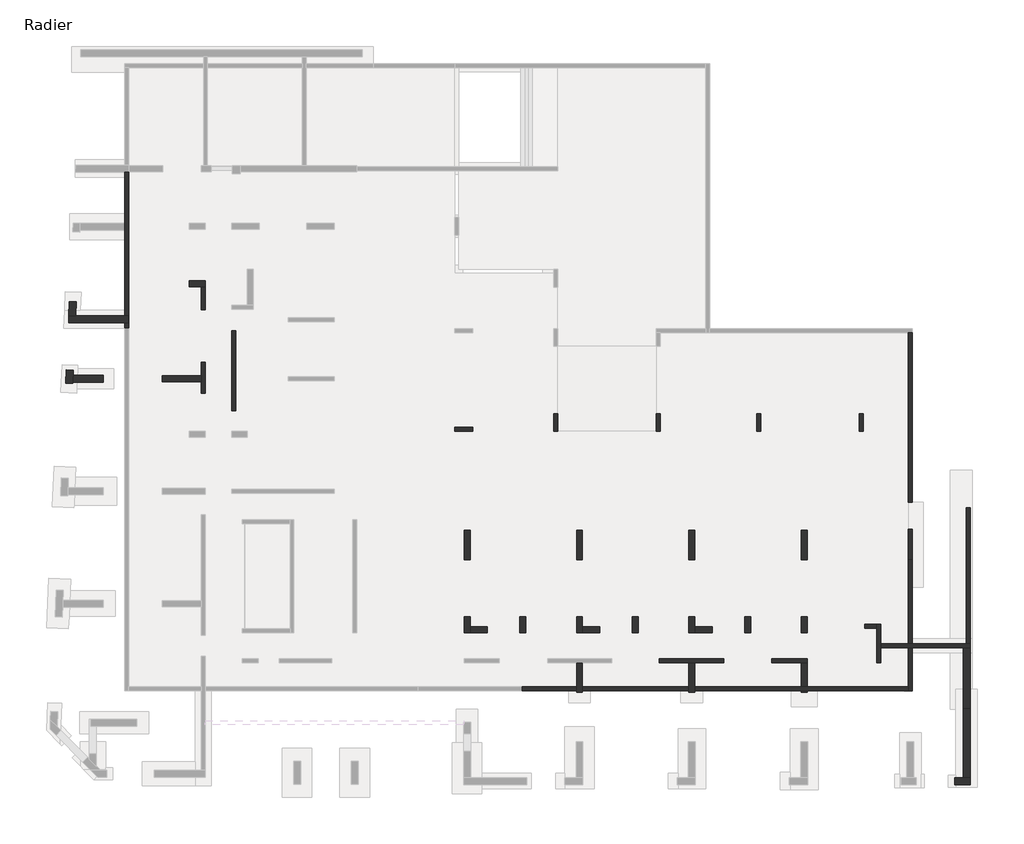
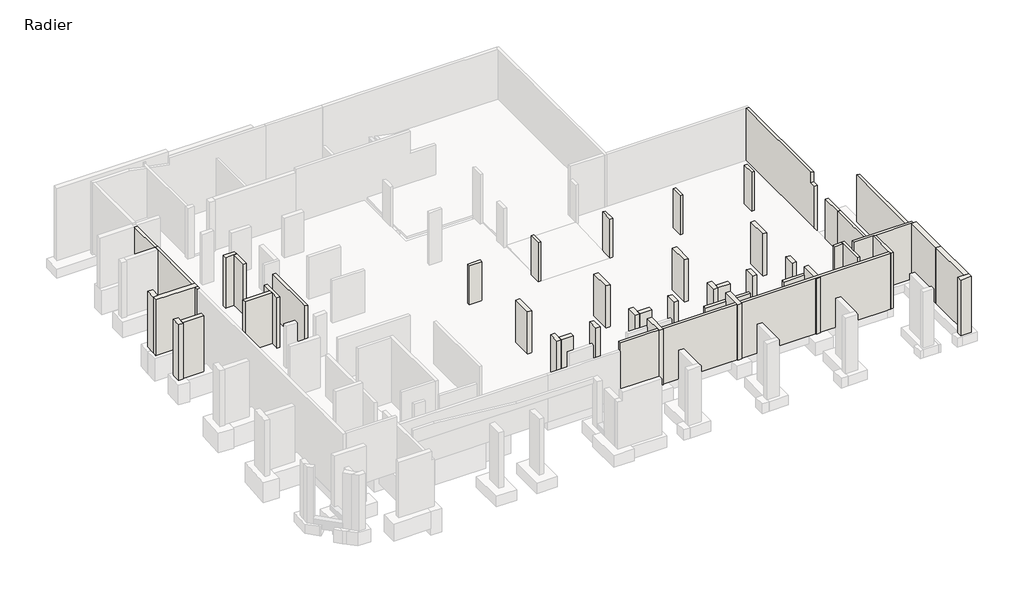
# One storey, part 2 of 5: 45 walls.
"""IFC4 building model written with IfcOpenShell, lengths in millimetres."""

from ifc_helpers import new_model, si_unit, frame, origin, place, context, project, spatial, polyline, outline, extrude, faceted_brep, element, save

model = new_model("IFC4")

# Units and contexts
model_context = context("Model", 3, world=origin())
ifc_project = project(units=[si_unit("LENGTHUNIT", "METRE", prefix="MILLI")], contexts=[model_context])

# Site, building, storey
site = spatial("IfcSite", under=ifc_project)
building = spatial("IfcBuilding", under=site)
storey = spatial("IfcBuildingStorey", under=building, Name="Radier", Elevation=-3900.0)

# Walls
placement = place(None, origin())
element("IfcWall", 1, ObjectType="MHA20", at=placement, inside=storey, context=model_context, shape_type="Brep", body=[
    faceted_brep([(-2535.6912908, -13279.0672499, -4300.0), (-2535.6912908, -12519.0672499, -4300.0), (-2535.6912908, -12319.0672499, -4300.0), (-2535.6912908, -11329.0672499, -4300.0), (-2535.6912908, -11329.0672499, -670.0), (-2535.6912908, -13279.0672499, -670.0), (-2735.6912908, -13279.0672499, -4300.0), (-2735.6912908, -13279.0672499, -670.0), (-2735.6912908, -11529.0672499, -670.0), (-2735.6912908, -11329.0672499, -670.0), (-2735.6912908, -11329.0672499, -4300.0), (-2735.6912908, -11529.0672499, -4300.0)], [[[0, 1, 2, 3, 4, 5]], [[6, 7, 8, 9, 10, 11]], [[3, 2, 1, 0, 6, 11, 10]], [[5, 4, 9, 8, 7]], [[0, 5, 7, 6]], [[4, 3, 10, 9]]]),
])
element("IfcWall", 2, ObjectType="MHA20", at=placement, inside=storey, context=model_context, shape_type="Brep", body=[
    faceted_brep([(-2535.6912908, -12519.0672499, -20.0), (-2535.6912908, -12519.0672499, -4300.0), (-1125.6912908, -12519.0672499, -4300.0), (-925.6912908, -12519.0672499, -4300.0), (1644.3087092, -12519.0672499, -4300.0), (1994.3087092, -12519.0672499, -4300.0), (1994.3087092, -12519.0672499, -670.0), (1794.3087092, -12519.0672499, -670.0), (1794.3087092, -12519.0672499, -20.0), (1644.3087092, -12519.0672499, -20.0), (-925.6912908, -12519.0672499, -20.0), (-1125.6912908, -12519.0672499, -20.0), (-2535.6912908, -12319.0672499, -4300.0), (-2535.6912908, -12319.0672499, -20.0), (1794.3087092, -12319.0672499, -20.0), (1794.3087092, -12319.0672499, -670.0), (1994.3087092, -12319.0672499, -670.0), (1994.3087092, -12319.0672499, -4300.0), (-925.6912908, -12319.0672499, -4300.0), (-1125.6912908, -12319.0672499, -4300.0)], [[[0, 1, 2, 3, 4, 5, 6, 7, 8, 9, 10, 11]], [[12, 13, 14, 15, 16, 17, 18, 19]], [[5, 4, 3, 2, 1, 12, 19, 18, 17]], [[0, 11, 10, 9, 8, 14, 13]], [[0, 13, 12, 1]], [[15, 7, 6, 16]], [[6, 5, 17, 16]], [[8, 7, 15, 14]]]),
])
element("IfcWall", 3, ObjectType="MHA20", at=placement, inside=storey, context=model_context, shape_type="Brep", body=[
    faceted_brep([(-6255.6912908, -13079.0672499, -4300.0), (-8050.6912908, -13079.0672499, -4300.0), (-8050.6912908, -13079.0672499, -670.0), (-6255.6912908, -13079.0672499, -670.0), (-6255.6912908, -13079.0672499, -820.0), (-6255.6912908, -13279.0672499, -4300.0), (-6255.6912908, -13279.0672499, -670.0), (-8050.6912908, -13279.0672499, -670.0), (-8050.6912908, -13279.0672499, -4300.0), (-6555.6912908, -13279.0672499, -4300.0)], [[[0, 1, 2, 3, 4]], [[5, 6, 7, 8, 9]], [[1, 0, 5, 9, 8]], [[2, 1, 8, 7]], [[3, 2, 7, 6]], [[0, 4, 3, 6, 5]]]),
])
element("IfcWall", 4, ObjectType="MHA20", at=placement, inside=storey, context=model_context, shape_type="SweptSolid", body=[
    extrude(outline(polyline([(3440.9327501, -4300.0), (-5144.0672499, -4300.0), (-5144.0672499, -673.85), (-4689.0672499, -680.22), (-4689.0672499, 100.0), (3440.9327501, 100.0), (3440.9327501, -4300.0)])), frame((-1125.6912908, 0.0, 0.0), z_axis=(1.0, 0.0, 0.0), x_axis=(0.0, 1.0, 0.0)), (0.0, 0.0, 1.0), 200.0),
])
element("IfcWall", 5, ObjectType="MHA20", at=placement, inside=storey, context=model_context, shape_type="Brep", body=[
    faceted_brep([(-10470.6912908, -13079.0672499, -4300.0), (-13740.6912908, -13079.0672499, -4300.0), (-13740.6912908, -13079.0672499, -670.0), (-10470.6912908, -13079.0672499, -670.0), (-10470.6912908, -13279.0672499, -4300.0), (-10470.6912908, -13279.0672499, -670.0), (-13740.6912908, -13279.0672499, -670.0), (-13740.6912908, -13279.0672499, -4300.0), (-12245.6912908, -13279.0672499, -4300.0), (-11945.6912908, -13279.0672499, -4300.0)], [[[0, 1, 2, 3]], [[4, 5, 6, 7, 8, 9]], [[1, 0, 4, 9, 8, 7]], [[2, 1, 7, 6]], [[3, 2, 6, 5]], [[0, 3, 5, 4]]]),
])
element("IfcWall", 6, ObjectType="MHA20", at=placement, inside=storey, context=model_context, shape_type="SweptSolid", body=[
    extrude(outline(polyline([(-35205.6912908, 3530.9327501), (-35205.6912908, -509.0672499), (-35405.6912908, -509.0672499), (-35405.6912908, 3530.9327501), (-35205.6912908, 3530.9327501)])), frame((0.0, 0.0, -4300.0), z_axis=(0.0, 0.0, 1.0), x_axis=(1.0, 0.0, 0.0)), (0.0, 0.0, 1.0), 3630.0),
])
element("IfcWall", 7, ObjectType="MHA20", at=placement, inside=storey, context=model_context, shape_type="Brep", body=[
    faceted_brep([(-36735.6912908, 360.9327501, -4300.0), (-36735.6912908, 1930.9327501, -4300.0), (-36735.6912908, 1930.9327501, -820.0), (-36735.6912908, 1930.9327501, -180.0), (-36735.6912908, 1930.9327501, -20.0), (-36735.6912908, 360.9327501, -20.0), (-36735.6912908, 360.9327501, -180.0), (-36735.6912908, 360.9327501, -820.0), (-36935.6912908, 360.9327501, -4300.0), (-36935.6912908, 360.9327501, -820.0), (-36935.6912908, 360.9327501, -180.0), (-36935.6912908, 360.9327501, -20.0), (-36935.6912908, 950.9327501, -20.0), (-36935.6912908, 1250.9327501, -20.0), (-36935.6912908, 1930.9327501, -20.0), (-36935.6912908, 1930.9327501, -180.0), (-36935.6912908, 1930.9327501, -820.0), (-36935.6912908, 1930.9327501, -4300.0), (-36935.6912908, 1250.9327501, -4300.0), (-36935.6912908, 950.9327501, -4300.0)], [[[0, 1, 2, 3, 4, 5, 6, 7]], [[8, 9, 10, 11, 12, 13, 14, 15, 16, 17, 18, 19]], [[1, 0, 8, 19, 18, 17]], [[4, 3, 2, 1, 17, 16, 15, 14]], [[5, 4, 14, 13, 12, 11]], [[0, 7, 6, 5, 11, 10, 9, 8]]]),
])
element("IfcWall", 8, ObjectType="MHA20", at=placement, inside=storey, context=model_context, shape_type="Brep", body=[
    faceted_brep([(-36935.6912908, 5760.9327501, -4300.0), (-36935.6912908, 4590.9327501, -4300.0), (-36935.6912908, 4590.9327501, -820.0), (-36935.6912908, 4590.9327501, -180.0), (-36935.6912908, 4590.9327501, -20.0), (-36935.6912908, 5760.9327501, -20.0), (-36735.6912908, 5760.9327501, -4300.0), (-36735.6912908, 5760.9327501, -20.0), (-36735.6912908, 4590.9327501, -20.0), (-36735.6912908, 4590.9327501, -180.0), (-36735.6912908, 4590.9327501, -820.0), (-36735.6912908, 4590.9327501, -4300.0)], [[[0, 1, 2, 3, 4, 5]], [[6, 7, 8, 9, 10, 11]], [[1, 0, 6, 11]], [[4, 3, 2, 1, 11, 10, 9, 8]], [[5, 4, 8, 7]], [[0, 5, 7, 6]]]),
])
element("IfcWall", 9, ObjectType="MHA20", at=placement, inside=storey, context=model_context, shape_type="Brep", body=[
    faceted_brep([(1994.3087092, -12319.0672499, -4300.0), (1994.3087092, -5419.0672499, -4300.0), (1994.3087092, -5419.0672499, -1250.0), (1994.3087092, -5419.0672499, -670.0), (1994.3087092, -12319.0672499, -670.0), (1794.3087092, -12319.0672499, -4300.0), (1794.3087092, -12319.0672499, -670.0), (1794.3087092, -5419.0672499, -670.0), (1794.3087092, -5419.0672499, -1250.0), (1794.3087092, -5419.0672499, -4300.0)], [[[0, 1, 2, 3, 4]], [[5, 6, 7, 8, 9]], [[1, 0, 5, 9]], [[4, 3, 7, 6]], [[0, 4, 6, 5]], [[3, 2, 1, 9, 8, 7]]]),
])
element("IfcWall", 10, ObjectType="MHA20", at=placement, inside=storey, context=model_context, shape_type="SweptSolid", body=[
    extrude(outline(polyline([(-2735.6912908, -11529.0672499), (-3335.6912908, -11529.0672499), (-3335.6912908, -11329.0672499), (-2735.6912908, -11329.0672499), (-2735.6912908, -11529.0672499)])), frame((0.0, 0.0, -4300.0), z_axis=(0.0, 0.0, 1.0), x_axis=(1.0, 0.0, 0.0)), (0.0, 0.0, 1.0), 3630.0),
])
element("IfcWall", 11, ObjectType="MHA20", at=placement, inside=storey, context=model_context, shape_type="SweptSolid", body=[
    extrude(outline(polyline([(-1125.6912908, -8069.0672499), (-1125.6912908, -6519.0672499), (-925.6912908, -6519.0672499), (-925.6912908, -8069.0672499), (-1125.6912908, -8069.0672499)])), frame((0.0, 0.0, -4300.0), z_axis=(0.0, 0.0, 1.0), x_axis=(1.0, 0.0, 0.0)), (0.0, 0.0, 1.0), 3470.0),
])
element("IfcWall", 12, ObjectType="MHA20", at=placement, inside=storey, context=model_context, shape_type="Brep", body=[
    faceted_brep([(-1125.6912908, -8069.0672499, -830.0), (-1125.6912908, -8069.0672499, -4300.0), (-1125.6912908, -12319.0672499, -4300.0), (-1125.6912908, -12319.0672499, -830.0), (-925.6912908, -8069.0672499, -4300.0), (-925.6912908, -8069.0672499, -830.0), (-925.6912908, -12319.0672499, -830.0), (-925.6912908, -12319.0672499, -4300.0)], [[[0, 1, 2, 3]], [[4, 5, 6, 7]], [[3, 2, 7, 6]], [[1, 4, 7, 2]], [[5, 0, 3, 6]], [[1, 0, 5, 4]]]),
    faceted_brep([(-1125.6912908, -14699.0672499, -4300.0), (-1125.6912908, -14699.0672499, -20.0), (-1125.6912908, -14499.0672499, -20.0), (-1125.6912908, -12519.0672499, -20.0), (-1125.6912908, -12519.0672499, -4300.0), (-1125.6912908, -14499.0672499, -4300.0), (-925.6912908, -14699.0672499, -20.0), (-925.6912908, -14699.0672499, -140.0), (-925.6912908, -14699.0672499, -820.0), (-925.6912908, -14699.0672499, -4300.0), (-925.6912908, -12519.0672499, -4300.0), (-925.6912908, -12519.0672499, -20.0)], [[[0, 1, 2, 3, 4, 5]], [[6, 7, 8, 9, 10, 11]], [[9, 0, 5, 4, 10]], [[1, 0, 9, 8, 7, 6]], [[3, 2, 1, 6, 11]], [[3, 11, 10, 4]]]),
])
element("IfcWall", 13, ObjectType="MHA20", at=placement, inside=storey, context=model_context, shape_type="Brep", body=[
    faceted_brep([(-40605.6912908, 3675.9327501, -4900.0), (-40605.6912908, 11750.9327501, -4900.0), (-40605.6912908, 11750.9327501, -3900.0), (-40605.6912908, 11575.9327501, -3900.0), (-40605.6912908, 11575.9327501, -67.8), (-40605.6912908, 8980.9327501, -67.8), (-40605.6912908, 8980.9327501, -20.0), (-40605.6912908, 8680.9327501, -20.0), (-40605.6912908, 3675.9327501, -20.0), (-40805.6912908, 11750.9327501, -4900.0), (-40805.6912908, 3675.9327501, -4900.0), (-40805.6912908, 3675.9327501, -20.0), (-40805.6912908, 8630.9327501, -20.0), (-40805.6912908, 8680.9327501, -20.0), (-40805.6912908, 8980.9327501, -20.0), (-40805.6912908, 8980.9327501, -55.8), (-40805.6912908, 11575.9327501, -55.8), (-40805.6912908, 11575.9327501, -3900.0), (-40805.6912908, 11750.9327501, -3900.0)], [[[0, 1, 2, 3, 4, 5, 6, 7, 8]], [[9, 10, 11, 12, 13, 14, 15, 16, 17, 18]], [[1, 0, 10, 9]], [[11, 8, 7, 6, 14, 13, 12]], [[0, 8, 11, 10]], [[1, 9, 18, 2]], [[3, 2, 18, 17]], [[3, 17, 16, 4]], [[5, 15, 14, 6]], [[15, 5, 4, 16]]]),
])
element("IfcWall", 14, ObjectType="MHA20", at=placement, inside=storey, context=model_context, shape_type="Brep", body=[
    faceted_brep([(-20715.6912908, -14699.0672499, -4300.0), (-1125.6912908, -14699.0672499, -4300.0), (-1125.6912908, -14699.0672499, -20.0), (-20715.6912908, -14699.0672499, -20.0), (-20715.6912908, -14499.0672499, -4300.0), (-20715.6912908, -14499.0672499, -20.0), (-1125.6912908, -14499.0672499, -20.0), (-1125.6912908, -14499.0672499, -180.0), (-1125.6912908, -14499.0672499, -820.0), (-1125.6912908, -14499.0672499, -4300.0)], [[[0, 1, 2, 3]], [[4, 5, 6, 7, 8, 9]], [[1, 0, 4, 9]], [[3, 2, 6, 5]], [[0, 3, 5, 4]], [[2, 1, 9, 8, 7, 6]]]),
])
element("IfcWall", 15, ObjectType="MHA20", at=placement, inside=storey, context=model_context, shape_type="Brep", body=[
    faceted_brep([(-3415.6912908, -1559.1017012, -4300.0), (-3415.6912908, -659.1017012, -4300.0), (-3415.6912908, -659.1017012, -1450.0), (-3415.6912908, -659.1017012, -1409.1086553), (-3415.6912908, -659.1017012, -1229.0996555), (-3415.6912908, -659.1017012, -900.0), (-3415.6912908, -1559.1017012, -900.0), (-3415.6912908, -1559.1017012, -1220.0996555), (-3415.6912908, -1559.1017012, -1400.1086553), (-3415.6912908, -1559.1017012, -1450.0), (-3615.6912908, -1559.1017012, -4300.0), (-3615.6912908, -1559.1017012, -1450.0), (-3615.6912908, -1559.1017012, -1400.1086553), (-3615.6912908, -1559.1017012, -1220.0996555), (-3615.6912908, -1559.1017012, -900.0), (-3615.6912908, -659.1017012, -900.0), (-3615.6912908, -659.1017012, -1229.0996555), (-3615.6912908, -659.1017012, -1409.1086553), (-3615.6912908, -659.1017012, -1450.0), (-3615.6912908, -659.1017012, -4300.0)], [[[0, 1, 2, 3, 4, 5, 6, 7, 8, 9]], [[10, 11, 12, 13, 14, 15, 16, 17, 18, 19]], [[1, 0, 10, 19]], [[5, 4, 3, 2, 1, 19, 18, 17, 16, 15]], [[6, 5, 15, 14]], [[0, 9, 8, 7, 6, 14, 13, 12, 11, 10]]]),
])
element("IfcWall", 16, ObjectType="MHA20", at=placement, inside=storey, context=model_context, shape_type="Brep", body=[
    faceted_brep([(-8595.6912908, -1559.1017012, -4300.0), (-8595.6912908, -659.1017012, -4300.0), (-8595.6912908, -659.1017012, -900.0), (-8595.6912908, -1559.1017012, -900.0), (-8595.6912908, -1559.1017012, -1220.0996555), (-8595.6912908, -1559.1017012, -1400.1086553), (-8595.6912908, -1559.1017012, -1450.0), (-8795.6912908, -1559.1017012, -4300.0), (-8795.6912908, -1559.1017012, -1450.0), (-8795.6912908, -1559.1017012, -1400.1086553), (-8795.6912908, -1559.1017012, -1220.0996555), (-8795.6912908, -1559.1017012, -900.0), (-8795.6912908, -659.1017012, -900.0), (-8795.6912908, -659.1017012, -4300.0)], [[[0, 1, 2, 3, 4, 5, 6]], [[7, 8, 9, 10, 11, 12, 13]], [[1, 0, 7, 13]], [[2, 1, 13, 12]], [[3, 2, 12, 11]], [[0, 6, 5, 4, 3, 11, 10, 9, 8, 7]]]),
])
element("IfcWall", 17, ObjectType="MHA20", at=placement, inside=storey, context=model_context, shape_type="Brep", body=[
    faceted_brep([(-13695.6912908, -1559.1017012, -4300.0), (-13695.6912908, -659.1017012, -4300.0), (-13695.6912908, -659.1017012, -1450.0), (-13695.6912908, -659.1017012, -1409.1086553), (-13695.6912908, -659.1017012, -1229.0996555), (-13695.6912908, -659.1017012, -900.0), (-13695.6912908, -1559.1017012, -900.0), (-13695.6912908, -1559.1017012, -1220.0996555), (-13695.6912908, -1559.1017012, -1400.1086553), (-13695.6912908, -1559.1017012, -1450.0), (-13895.6912908, -1559.1017012, -4300.0), (-13895.6912908, -1559.1017012, -1450.0), (-13895.6912908, -1559.1017012, -1400.1086553), (-13895.6912908, -1559.1017012, -1220.0996555), (-13895.6912908, -1559.1017012, -900.0), (-13895.6912908, -659.1017012, -900.0), (-13895.6912908, -659.1017012, -1229.0996555), (-13895.6912908, -659.1017012, -1409.1086553), (-13895.6912908, -659.1017012, -1450.0), (-13895.6912908, -659.1017012, -4300.0), (-13895.6912908, -1359.0672499, -4300.0)], [[[0, 1, 2, 3, 4, 5, 6, 7, 8, 9]], [[10, 11, 12, 13, 14, 15, 16, 17, 18, 19, 20]], [[1, 0, 10, 20, 19]], [[5, 4, 3, 2, 1, 19, 18, 17, 16, 15]], [[6, 5, 15, 14]], [[0, 9, 8, 7, 6, 14, 13, 12, 11, 10]]]),
])
element("IfcWall", 18, ObjectType="MHA20", at=placement, inside=storey, context=model_context, shape_type="Brep", body=[
    faceted_brep([(-19095.6912908, -659.1017012, -4300.0), (-19095.6912908, -1559.1017012, -4300.0), (-19095.6912908, -1559.1017012, -1450.0), (-19095.6912908, -1559.1017012, -1400.1086553), (-19095.6912908, -1559.1017012, -1220.0996555), (-19095.6912908, -1559.1017012, -900.0), (-19095.6912908, -659.1017012, -900.0), (-19095.6912908, -659.1017012, -1229.0996555), (-19095.6912908, -659.1017012, -1409.1086553), (-19095.6912908, -659.1017012, -1450.0), (-18895.6912908, -659.1017012, -4300.0), (-18895.6912908, -659.1017012, -1450.0), (-18895.6912908, -659.1017012, -1409.1086553), (-18895.6912908, -659.1017012, -1229.0996555), (-18895.6912908, -659.1017012, -900.0), (-18895.6912908, -1559.1017012, -900.0), (-18895.6912908, -1559.1017012, -1220.0996555), (-18895.6912908, -1559.1017012, -1400.1086553), (-18895.6912908, -1559.1017012, -1450.0), (-18895.6912908, -1559.1017012, -4300.0), (-18895.6912908, -1359.0672499, -4300.0)], [[[0, 1, 2, 3, 4, 5, 6, 7, 8, 9]], [[10, 11, 12, 13, 14, 15, 16, 17, 18, 19, 20]], [[1, 0, 10, 20, 19]], [[5, 4, 3, 2, 1, 19, 18, 17, 16, 15]], [[6, 5, 15, 14]], [[0, 9, 8, 7, 6, 14, 13, 12, 11, 10]]]),
])
element("IfcWall", 19, ObjectType="MHA20", at=placement, inside=storey, context=model_context, shape_type="Brep", body=[
    faceted_brep([(-24095.725742, -1559.1017012, -4300.0), (-23195.725742, -1559.1017012, -4300.0), (-23195.725742, -1559.1017012, -900.0), (-24095.725742, -1559.1017012, -900.0), (-24095.725742, -1559.1017012, -1220.0996555), (-24095.725742, -1559.1017012, -1400.1086553), (-24095.725742, -1559.1017012, -1450.0), (-24095.725742, -1359.1017012, -4300.0), (-24095.725742, -1359.1017012, -1450.0), (-24095.725742, -1359.1017012, -1402.1086553), (-24095.725742, -1359.1017012, -1222.0996555), (-24095.725742, -1359.1017012, -900.0), (-23195.725742, -1359.1017012, -900.0), (-23195.725742, -1359.1017012, -4300.0)], [[[0, 1, 2, 3, 4, 5, 6]], [[7, 8, 9, 10, 11, 12, 13]], [[1, 0, 7, 13]], [[2, 1, 13, 12]], [[3, 2, 12, 11]], [[0, 6, 5, 4, 3, 11, 10, 9, 8, 7]]]),
])
element("IfcWall", 20, ObjectType="MHA30", at=placement, inside=storey, context=model_context, shape_type="Brep", body=[
    faceted_brep([(-6255.6912908, -11759.0672499, -4300.0), (-6255.6912908, -10959.0672499, -4300.0), (-6255.6912908, -10959.0672499, -1650.0), (-6255.6912908, -10959.0672499, -830.0), (-6255.6912908, -10959.0672499, -670.0), (-6255.6912908, -11759.0672499, -670.0), (-6555.6912908, -11759.0672499, -4300.0), (-6555.6912908, -11759.0672499, -670.0), (-6555.6912908, -10959.0672499, -670.0), (-6555.6912908, -10959.0672499, -830.0), (-6555.6912908, -10959.0672499, -1650.0), (-6555.6912908, -10959.0672499, -4300.0)], [[[0, 1, 2, 3, 4, 5]], [[6, 7, 8, 9, 10, 11]], [[1, 0, 6, 11]], [[4, 3, 2, 1, 11, 10, 9, 8]], [[5, 4, 8, 7]], [[0, 5, 7, 6]]]),
])
element("IfcWall", 21, ObjectType="MHA30", at=placement, inside=storey, context=model_context, shape_type="Brep", body=[
    faceted_brep([(-11945.6912908, -11759.0672499, -4300.0), (-11945.6912908, -11459.0672499, -4300.0), (-11945.6912908, -10959.0672499, -4300.0), (-11945.6912908, -10959.0672499, -1650.0), (-11945.6912908, -10959.0672499, -830.0), (-11945.6912908, -10959.0672499, -670.0), (-11945.6912908, -11459.0672499, -670.0), (-11945.6912908, -11759.0672499, -670.0), (-12245.6912908, -11759.0672499, -4300.0), (-12245.6912908, -11759.0672499, -670.0), (-12245.6912908, -10959.0672499, -670.0), (-12245.6912908, -10959.0672499, -830.0), (-12245.6912908, -10959.0672499, -1650.0), (-12245.6912908, -10959.0672499, -4300.0)], [[[0, 1, 2, 3, 4, 5, 6, 7]], [[8, 9, 10, 11, 12, 13]], [[2, 1, 0, 8, 13]], [[5, 4, 3, 2, 13, 12, 11, 10]], [[7, 6, 5, 10, 9]], [[0, 7, 9, 8]]]),
])
element("IfcWall", 22, ObjectType="MHA30", at=placement, inside=storey, context=model_context, shape_type="SweptSolid", body=[
    extrude(outline(polyline([(-11945.6912908, -11459.0672499), (-11070.6912908, -11459.0672499), (-11070.6912908, -11759.0672499), (-11945.6912908, -11759.0672499), (-11945.6912908, -11459.0672499)])), frame((0.0, 0.0, -4300.0), z_axis=(0.0, 0.0, 1.0), x_axis=(1.0, 0.0, 0.0)), (0.0, 0.0, 1.0), 3630.0),
])
element("IfcWall", 23, ObjectType="MHA30", at=placement, inside=storey, context=model_context, shape_type="SweptSolid", body=[
    extrude(outline(polyline([(-9120.6912908, -10959.0672499), (-9120.6912908, -11759.0672499), (-9420.6912908, -11759.0672499), (-9420.6912908, -10959.0672499), (-9120.6912908, -10959.0672499)])), frame((0.0, 0.0, -4300.0), z_axis=(0.0, 0.0, 1.0), x_axis=(1.0, 0.0, 0.0)), (0.0, 0.0, 1.0), 3630.0),
])
element("IfcWall", 24, ObjectType="MHA30", at=placement, inside=storey, context=model_context, shape_type="SweptSolid", body=[
    extrude(outline(polyline([(-14810.6912908, -10959.0672499), (-14810.6912908, -11759.0672499), (-15110.6912908, -11759.0672499), (-15110.6912908, -10959.0672499), (-14810.6912908, -10959.0672499)])), frame((0.0, 0.0, -4300.0), z_axis=(0.0, 0.0, 1.0), x_axis=(1.0, 0.0, 0.0)), (0.0, 0.0, 1.0), 3630.0),
])
element("IfcWall", 25, ObjectType="MHA30", at=placement, inside=storey, context=model_context, shape_type="SweptSolid", body=[
    extrude(outline(polyline([(-20500.6912908, -10959.0672499), (-20500.6912908, -11759.0672499), (-20800.6912908, -11759.0672499), (-20800.6912908, -10959.0672499), (-20500.6912908, -10959.0672499)])), frame((0.0, 0.0, -4300.0), z_axis=(0.0, 0.0, 1.0), x_axis=(1.0, 0.0, 0.0)), (0.0, 0.0, 1.0), 3630.0),
])
element("IfcWall", 26, ObjectType="MHA30", at=placement, inside=storey, context=model_context, shape_type="Brep", body=[
    faceted_brep([(-37535.6912908, 5760.9327501, -4300.0), (-36935.6912908, 5760.9327501, -4300.0), (-36735.6912908, 5760.9327501, -4300.0), (-36735.6912908, 5760.9327501, -20.0), (-36935.6912908, 5760.9327501, -20.0), (-37535.6912908, 5760.9327501, -20.0), (-37535.6912908, 6060.9327501, -4300.0), (-37535.6912908, 6060.9327501, -300.0), (-37535.6912908, 6060.9327501, -20.0), (-36735.6912908, 6060.9327501, -20.0), (-36735.6912908, 6060.9327501, -4300.0)], [[[0, 1, 2, 3, 4, 5]], [[6, 7, 8, 9, 10]], [[2, 1, 0, 6, 10]], [[5, 4, 3, 9, 8]], [[0, 5, 8, 7, 6]], [[3, 2, 10, 9]]]),
])
element("IfcWall", 27, ObjectType="MHA30", at=placement, inside=storey, context=model_context, shape_type="Brep", body=[
    faceted_brep([(-6255.6912908, -14769.0672499, -4300.0), (-6255.6912908, -13279.0672499, -4300.0), (-6255.6912908, -13279.0672499, -670.0), (-6255.6912908, -13279.0672499, -180.0), (-6255.6912908, -13279.0672499, -20.0), (-6255.6912908, -14769.0672499, -20.0), (-6255.6912908, -14769.0672499, -140.0), (-6255.6912908, -14769.0672499, -820.0), (-6555.6912908, -14769.0672499, -4300.0), (-6555.6912908, -14769.0672499, -820.0), (-6555.6912908, -14769.0672499, -140.0), (-6555.6912908, -14769.0672499, -20.0), (-6555.6912908, -13279.0672499, -20.0), (-6555.6912908, -13279.0672499, -180.0), (-6555.6912908, -13279.0672499, -820.0), (-6555.6912908, -13279.0672499, -4300.0)], [[[0, 1, 2, 3, 4, 5, 6, 7]], [[8, 9, 10, 11, 12, 13, 14, 15]], [[1, 0, 8, 15]], [[5, 4, 12, 11]], [[0, 7, 6, 5, 11, 10, 9, 8]], [[1, 15, 14, 13, 12, 4, 3, 2]]]),
])
element("IfcWall", 28, ObjectType="MHA30", at=placement, inside=storey, context=model_context, shape_type="Brep", body=[
    faceted_brep([(-17635.6912908, -14769.0672499, -4300.0), (-17635.6912908, -13279.0672499, -4300.0), (-17635.6912908, -13279.0672499, -820.0), (-17635.6912908, -13279.0672499, -180.0), (-17635.6912908, -13279.0672499, -20.0), (-17635.6912908, -14769.0672499, -20.0), (-17635.6912908, -14769.0672499, -140.0), (-17635.6912908, -14769.0672499, -820.0), (-17935.6912908, -14769.0672499, -4300.0), (-17935.6912908, -14769.0672499, -820.0), (-17935.6912908, -14769.0672499, -140.0), (-17935.6912908, -14769.0672499, -20.0), (-17935.6912908, -13279.0672499, -20.0), (-17935.6912908, -13279.0672499, -180.0), (-17935.6912908, -13279.0672499, -820.0), (-17935.6912908, -13279.0672499, -4300.0)], [[[0, 1, 2, 3, 4, 5, 6, 7]], [[8, 9, 10, 11, 12, 13, 14, 15]], [[1, 0, 8, 15]], [[5, 4, 12, 11]], [[0, 7, 6, 5, 11, 10, 9, 8]], [[1, 15, 14, 13, 12, 4, 3, 2]]]),
])
element("IfcWall", 29, ObjectType="MHA30", at=placement, inside=storey, context=model_context, shape_type="Brep", body=[
    faceted_brep([(-11945.6912908, -14769.0672499, -4300.0), (-11945.6912908, -13279.0672499, -4300.0), (-11945.6912908, -13279.0672499, -820.0), (-11945.6912908, -13279.0672499, -180.0), (-11945.6912908, -13279.0672499, -20.0), (-11945.6912908, -14769.0672499, -20.0), (-11945.6912908, -14769.0672499, -140.0), (-11945.6912908, -14769.0672499, -820.0), (-12245.6912908, -14769.0672499, -4300.0), (-12245.6912908, -14769.0672499, -820.0), (-12245.6912908, -14769.0672499, -140.0), (-12245.6912908, -14769.0672499, -20.0), (-12245.6912908, -13279.0672499, -20.0), (-12245.6912908, -13279.0672499, -180.0), (-12245.6912908, -13279.0672499, -820.0), (-12245.6912908, -13279.0672499, -4300.0)], [[[0, 1, 2, 3, 4, 5, 6, 7]], [[8, 9, 10, 11, 12, 13, 14, 15]], [[1, 0, 8, 15]], [[5, 4, 12, 11]], [[0, 7, 6, 5, 11, 10, 9, 8]], [[1, 15, 14, 13, 12, 4, 3, 2]]]),
])
element("IfcWall", 30, ObjectType="MHA30", at=placement, inside=storey, context=model_context, shape_type="Brep", body=[
    faceted_brep([(-38905.6912908, 950.9327501, -4300.0), (-36935.6912908, 950.9327501, -4300.0), (-36935.6912908, 950.9327501, -820.0), (-36935.6912908, 950.9327501, -180.0), (-36935.6912908, 950.9327501, -20.0), (-38905.6912908, 950.9327501, -20.0), (-38905.6912908, 950.9327501, -180.0), (-38905.6912908, 950.9327501, -820.0), (-38905.6912908, 1250.9327501, -4300.0), (-38905.6912908, 1250.9327501, -820.0), (-38905.6912908, 1250.9327501, -180.0), (-38905.6912908, 1250.9327501, -20.0), (-36935.6912908, 1250.9327501, -20.0), (-36935.6912908, 1250.9327501, -180.0), (-36935.6912908, 1250.9327501, -820.0), (-36935.6912908, 1250.9327501, -4300.0)], [[[0, 1, 2, 3, 4, 5, 6, 7]], [[8, 9, 10, 11, 12, 13, 14, 15]], [[1, 0, 8, 15]], [[5, 4, 12, 11]], [[0, 7, 6, 5, 11, 10, 9, 8]], [[4, 3, 2, 1, 15, 14, 13, 12]]]),
])
element("IfcWall", 31, ObjectType="MHA30", at=placement, inside=storey, context=model_context, shape_type="Brep", body=[
    faceted_brep([(-17935.6912908, -6559.0672499, -4300.0), (-17935.6912908, -8059.0672499, -4300.0), (-17935.6912908, -8059.0672499, -1650.0), (-17935.6912908, -8059.0672499, -830.0), (-17935.6912908, -8059.0672499, -670.0), (-17935.6912908, -6559.0672499, -670.0), (-17935.6912908, -6559.0672499, -830.0), (-17935.6912908, -6559.0672499, -1650.0), (-17635.6912908, -6559.0672499, -4300.0), (-17635.6912908, -6559.0672499, -1650.0), (-17635.6912908, -6559.0672499, -830.0), (-17635.6912908, -6559.0672499, -670.0), (-17635.6912908, -8059.0672499, -670.0), (-17635.6912908, -8059.0672499, -830.0), (-17635.6912908, -8059.0672499, -1650.0), (-17635.6912908, -8059.0672499, -4300.0)], [[[0, 1, 2, 3, 4, 5, 6, 7]], [[8, 9, 10, 11, 12, 13, 14, 15]], [[1, 0, 8, 15]], [[4, 3, 2, 1, 15, 14, 13, 12]], [[5, 4, 12, 11]], [[0, 7, 6, 5, 11, 10, 9, 8]]]),
])
element("IfcWall", 32, ObjectType="MHA30", at=placement, inside=storey, context=model_context, shape_type="Brep", body=[
    faceted_brep([(-17935.6912908, -10959.0672499, -4300.0), (-17935.6912908, -11759.0672499, -4300.0), (-17935.6912908, -11759.0672499, -670.0), (-17935.6912908, -10959.0672499, -670.0), (-17935.6912908, -10959.0672499, -830.0), (-17935.6912908, -10959.0672499, -1650.0), (-17635.6912908, -10959.0672499, -4300.0), (-17635.6912908, -10959.0672499, -1650.0), (-17635.6912908, -10959.0672499, -830.0), (-17635.6912908, -10959.0672499, -670.0), (-17635.6912908, -11459.0672499, -670.0), (-17635.6912908, -11759.0672499, -670.0), (-17635.6912908, -11759.0672499, -4300.0), (-17635.6912908, -11459.0672499, -4300.0)], [[[0, 1, 2, 3, 4, 5]], [[6, 7, 8, 9, 10, 11, 12, 13]], [[1, 0, 6, 13, 12]], [[3, 2, 11, 10, 9]], [[0, 5, 4, 3, 9, 8, 7, 6]], [[2, 1, 12, 11]]]),
])
element("IfcWall", 33, ObjectType="MHA30", at=placement, inside=storey, context=model_context, shape_type="Brep", body=[
    faceted_brep([(-23625.6912908, -6559.0672499, -4300.0), (-23625.6912908, -8059.0672499, -4300.0), (-23625.6912908, -8059.0672499, -1650.0), (-23625.6912908, -8059.0672499, -830.0), (-23625.6912908, -8059.0672499, -670.0), (-23625.6912908, -6559.0672499, -670.0), (-23625.6912908, -6559.0672499, -830.0), (-23625.6912908, -6559.0672499, -1650.0), (-23325.6912908, -6559.0672499, -4300.0), (-23325.6912908, -6559.0672499, -1650.0), (-23325.6912908, -6559.0672499, -830.0), (-23325.6912908, -6559.0672499, -670.0), (-23325.6912908, -8059.0672499, -670.0), (-23325.6912908, -8059.0672499, -830.0), (-23325.6912908, -8059.0672499, -1650.0), (-23325.6912908, -8059.0672499, -4300.0)], [[[0, 1, 2, 3, 4, 5, 6, 7]], [[8, 9, 10, 11, 12, 13, 14, 15]], [[1, 0, 8, 15]], [[4, 3, 2, 1, 15, 14, 13, 12]], [[5, 4, 12, 11]], [[0, 7, 6, 5, 11, 10, 9, 8]]]),
])
element("IfcWall", 34, ObjectType="MHA30", at=placement, inside=storey, context=model_context, shape_type="Brep", body=[
    faceted_brep([(-23625.6912908, -10959.0672499, -4300.0), (-23625.6912908, -11759.0672499, -4300.0), (-23625.6912908, -11759.0672499, -1650.0), (-23625.6912908, -11759.0672499, -830.0), (-23625.6912908, -11759.0672499, -670.0), (-23625.6912908, -10959.0672499, -670.0), (-23625.6912908, -10959.0672499, -830.0), (-23625.6912908, -10959.0672499, -1650.0), (-23325.6912908, -10959.0672499, -4300.0), (-23325.6912908, -10959.0672499, -1650.0), (-23325.6912908, -10959.0672499, -830.0), (-23325.6912908, -10959.0672499, -670.0), (-23325.6912908, -11459.0672499, -670.0), (-23325.6912908, -11759.0672499, -670.0), (-23325.6912908, -11759.0672499, -4300.0), (-23325.6912908, -11459.0672499, -4300.0)], [[[0, 1, 2, 3, 4, 5, 6, 7]], [[8, 9, 10, 11, 12, 13, 14, 15]], [[1, 0, 8, 15, 14]], [[5, 4, 13, 12, 11]], [[0, 7, 6, 5, 11, 10, 9, 8]], [[4, 3, 2, 1, 14, 13]]]),
])
element("IfcWall", 35, ObjectType="MHA30", at=placement, inside=storey, context=model_context, shape_type="Brep", body=[
    faceted_brep([(-11945.6912908, -8059.0672499, -4300.0), (-11945.6912908, -6559.0672499, -4300.0), (-11945.6912908, -6559.0672499, -1650.0), (-11945.6912908, -6559.0672499, -830.0), (-11945.6912908, -6559.0672499, -670.0), (-11945.6912908, -8059.0672499, -670.0), (-11945.6912908, -8059.0672499, -830.0), (-11945.6912908, -8059.0672499, -1650.0), (-12245.6912908, -8059.0672499, -4300.0), (-12245.6912908, -8059.0672499, -1650.0), (-12245.6912908, -8059.0672499, -830.0), (-12245.6912908, -8059.0672499, -670.0), (-12245.6912908, -6559.0672499, -670.0), (-12245.6912908, -6559.0672499, -830.0), (-12245.6912908, -6559.0672499, -1650.0), (-12245.6912908, -6559.0672499, -4300.0)], [[[0, 1, 2, 3, 4, 5, 6, 7]], [[8, 9, 10, 11, 12, 13, 14, 15]], [[1, 0, 8, 15]], [[4, 3, 2, 1, 15, 14, 13, 12]], [[5, 4, 12, 11]], [[0, 7, 6, 5, 11, 10, 9, 8]]]),
])
element("IfcWall", 36, ObjectType="MHA30", at=placement, inside=storey, context=model_context, shape_type="Brep", body=[
    faceted_brep([(-6255.6912908, -8059.0672499, -4300.0), (-6255.6912908, -6559.0672499, -4300.0), (-6255.6912908, -6559.0672499, -1650.0), (-6255.6912908, -6559.0672499, -830.0), (-6255.6912908, -6559.0672499, -670.0), (-6255.6912908, -8059.0672499, -670.0), (-6255.6912908, -8059.0672499, -830.0), (-6255.6912908, -8059.0672499, -1650.0), (-6555.6912908, -8059.0672499, -4300.0), (-6555.6912908, -8059.0672499, -1650.0), (-6555.6912908, -8059.0672499, -830.0), (-6555.6912908, -8059.0672499, -670.0), (-6555.6912908, -6559.0672499, -670.0), (-6555.6912908, -6559.0672499, -830.0), (-6555.6912908, -6559.0672499, -1650.0), (-6555.6912908, -6559.0672499, -4300.0)], [[[0, 1, 2, 3, 4, 5, 6, 7]], [[8, 9, 10, 11, 12, 13, 14, 15]], [[1, 0, 8, 15]], [[4, 3, 2, 1, 15, 14, 13, 12]], [[5, 4, 12, 11]], [[0, 7, 6, 5, 11, 10, 9, 8]]]),
])
element("IfcWall", 37, ObjectType="MHA30", at=placement, inside=storey, context=model_context, shape_type="SweptSolid", body=[
    extrude(outline(polyline([(-23325.6912908, -11459.0672499), (-22450.6912908, -11459.0672499), (-22450.6912908, -11759.0672499), (-23325.6912908, -11759.0672499), (-23325.6912908, -11459.0672499)])), frame((0.0, 0.0, -4300.0), z_axis=(0.0, 0.0, 1.0), x_axis=(1.0, 0.0, 0.0)), (0.0, 0.0, 1.0), 3630.0),
])
element("IfcWall", 38, ObjectType="MHA30", at=placement, inside=storey, context=model_context, shape_type="SweptSolid", body=[
    extrude(outline(polyline([(-17635.6912908, -11459.0672499), (-16760.6912908, -11459.0672499), (-16760.6912908, -11759.0672499), (-17635.6912908, -11759.0672499), (-17635.6912908, -11459.0672499)])), frame((0.0, 0.0, -4300.0), z_axis=(0.0, 0.0, 1.0), x_axis=(1.0, 0.0, 0.0)), (0.0, 0.0, 1.0), 3630.0),
])
element("IfcWall", 39, ObjectType="MHA35", at=placement, inside=storey, context=model_context, shape_type="SweptSolid", body=[
    extrude(outline(polyline([(1994.3087092, -15594.0672499), (1994.3087092, -19094.0672499), (1644.3087092, -19094.0672499), (1644.3087092, -15594.0672499), (1994.3087092, -15594.0672499)])), frame((0.0, 0.0, -4300.0), z_axis=(0.0, 0.0, 1.0), x_axis=(1.0, 0.0, 0.0)), (0.0, 0.0, 1.0), 4280.0),
])
element("IfcWall", 40, ObjectType="MHA35", at=placement, inside=storey, context=model_context, shape_type="Brep", body=[
    faceted_brep([(-43449.8934248, 925.9327501, -4300.0), (-41905.6912908, 925.9327501, -4300.0), (-41905.6912908, 925.9327501, -820.0), (-41905.6912908, 925.9327501, -140.0), (-41905.6912908, 925.9327501, -20.0), (-43449.8934248, 925.9327501, -20.0), (-43434.0157055, 1275.9327501, -4300.0), (-43434.0157055, 1275.9327501, -20.0), (-41905.6912908, 1275.9327501, -20.0), (-41905.6912908, 1275.9327501, -140.0), (-41905.6912908, 1275.9327501, -820.0), (-41905.6912908, 1275.9327501, -4300.0)], [[[0, 1, 2, 3, 4, 5]], [[6, 7, 8, 9, 10, 11]], [[1, 0, 6, 11]], [[4, 3, 2, 1, 11, 10, 9, 8]], [[5, 4, 8, 7]], [[0, 5, 7, 6]]]),
])
element("IfcWall", 41, ObjectType="MHA35", at=placement, inside=storey, context=model_context, shape_type="Brep", body=[
    faceted_brep([(-40625.6912908, 4300.9327501, -4300.0), (-43296.7868458, 4300.9327501, -4300.0), (-43647.1468063, 4300.9327501, -4300.0), (-43647.1468063, 4300.9327501, -20.0), (-43296.7868458, 4300.9327501, -20.0), (-40625.6912908, 4300.9327501, -20.0), (-40625.6912908, 3950.9327501, -4300.0), (-40625.6912908, 3950.9327501, -20.0), (-43663.0245256, 3950.9327501, -20.0), (-43663.0245256, 3950.9327501, -140.0), (-43663.0245256, 3950.9327501, -420.0), (-43663.0245256, 3950.9327501, -4300.0)], [[[0, 1, 2, 3, 4, 5]], [[6, 7, 8, 9, 10, 11]], [[2, 1, 0, 6, 11]], [[5, 4, 3, 8, 7]], [[0, 5, 7, 6]], [[3, 2, 11, 10, 9, 8]]]),
])
element("IfcWall", 42, ObjectType="MHA35", at=placement, inside=storey, context=model_context, shape_type="Brep", body=[
    faceted_brep([(1994.3087092, -15594.0672499, -4300.0), (1994.3087092, -12519.0672499, -4300.0), (1994.3087092, -12519.0672499, -670.0), (1994.3087092, -12519.0672499, -20.0), (1994.3087092, -15594.0672499, -20.0), (1644.3087092, -15594.0672499, -4300.0), (1644.3087092, -15594.0672499, -20.0), (1644.3087092, -12519.0672499, -20.0), (1644.3087092, -12519.0672499, -4300.0), (1794.3087092, -12519.0672499, -20.0), (1694.3087092, -12519.0672499, -20.0)], [[[0, 1, 2, 3, 4]], [[5, 6, 7, 8]], [[1, 0, 5, 8]], [[4, 3, 9, 10, 7, 6]], [[0, 4, 6, 5]], [[3, 2, 1, 8, 7, 10, 9]]]),
])
element("IfcWall", 43, ObjectType="MHA35", at=placement, inside=storey, context=model_context, shape_type="Brep", body=[
    faceted_brep([(1214.3087092, -19444.0672499, -4300.0), (1994.3087092, -19444.0672499, -4300.0), (1994.3087092, -19444.0672499, -20.0), (1214.3087092, -19444.0672499, -20.0), (1214.3087092, -19444.0672499, -140.0), (1214.3087092, -19444.0672499, -420.0), (1214.3087092, -19444.0672499, -3700.0), (1214.3087092, -19094.0672499, -4300.0), (1214.3087092, -19094.0672499, -3700.0), (1214.3087092, -19094.0672499, -20.0), (1644.3087092, -19094.0672499, -20.0), (1994.3087092, -19094.0672499, -20.0), (1994.3087092, -19094.0672499, -4300.0), (1644.3087092, -19094.0672499, -4300.0)], [[[0, 1, 2, 3, 4, 5, 6]], [[7, 8, 9, 10, 11, 12, 13]], [[1, 0, 7, 13, 12]], [[3, 2, 11, 10, 9]], [[0, 6, 5, 4, 3, 9, 8, 7]], [[2, 1, 12, 11]]]),
])
element("IfcWall", 44, ObjectType="MHA35", at=placement, inside=storey, context=model_context, shape_type="Brep", body=[
    faceted_brep([(-43296.7868458, 4300.9327501, -4300.0), (-43265.3093316, 4994.8063327, -4300.0), (-43265.3093316, 4994.8063327, -3700.0), (-43265.3093316, 4994.8063327, -20.0), (-43296.7868458, 4300.9327501, -20.0), (-43647.1468063, 4300.9327501, -4300.0), (-43647.1468063, 4300.9327501, -20.0), (-43614.9497408, 5010.6677392, -20.0), (-43614.9497408, 5010.6677392, -140.0), (-43614.9497408, 5010.6677392, -420.0), (-43614.9497408, 5010.6677392, -3700.0), (-43614.9497408, 5010.6677392, -4300.0)], [[[0, 1, 2, 3, 4]], [[5, 6, 7, 8, 9, 10, 11]], [[1, 0, 5, 11]], [[3, 2, 1, 11, 10, 9, 8, 7]], [[4, 3, 7, 6]], [[0, 4, 6, 5]]]),
])
element("IfcWall", 45, ObjectType="MHA35", at=placement, inside=storey, context=model_context, shape_type="Brep", body=[
    faceted_brep([(-43452.4240025, 870.1500411, -4300.0), (-43449.8934248, 925.9327501, -4300.0), (-43434.0157055, 1275.9327501, -4300.0), (-43422.2873301, 1534.4668187, -4300.0), (-43422.2873301, 1534.4668187, -3700.0), (-43422.2873301, 1534.4668187, -20.0), (-43434.0157055, 1275.9327501, -20.0), (-43435.1498283, 1250.9327501, -20.0), (-43448.759302, 950.9327501, -20.0), (-43449.8934248, 925.9327501, -20.0), (-43452.4240025, 870.1500411, -20.0), (-43802.0644117, 886.0114476, -4300.0), (-43802.0644117, 886.0114476, -20.0), (-43771.9277394, 1550.3282252, -20.0), (-43771.9277394, 1550.3282252, -140.0), (-43771.9277394, 1550.3282252, -420.0), (-43771.9277394, 1550.3282252, -3700.0), (-43771.9277394, 1550.3282252, -4300.0)], [[[0, 1, 2, 3, 4, 5, 6, 7, 8, 9, 10]], [[11, 12, 13, 14, 15, 16, 17]], [[3, 2, 1, 0, 11, 17]], [[5, 4, 3, 17, 16, 15, 14, 13]], [[10, 9, 8, 7, 6, 5, 13, 12]], [[0, 10, 12, 11]]]),
])

save(model, "model.ifc")
